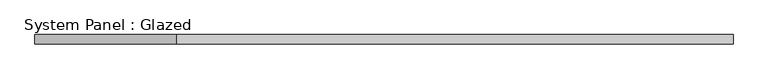
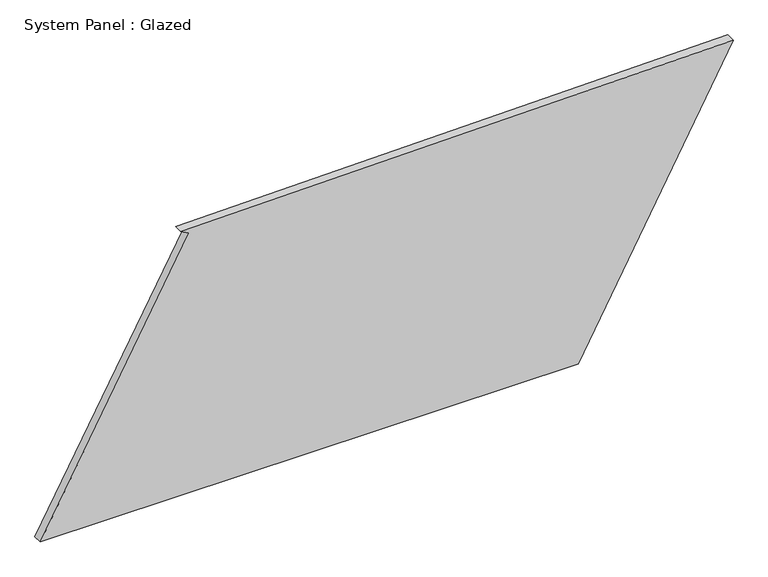
"""IFC4 building model written with IfcOpenShell, lengths in millimetres: plate geometry, System Panel : Glazed."""

from ifc_helpers import new_model, si_unit, frame, origin, place, context, project, spatial, polyline, outline, extrude, source, transform, mapped, element, save


def system_panel_glazed_a8e4a518(model_context):
    return source(origin(), model_context, "Body", "SweptSolid", [
        extrude(outline(polyline([(0.0, -941.3221323), (0.0, 520.7737402), (783.6804613, 941.3221323), (758.2541123, -559.1682426), (746.3501109, -537.1842769), (0.0, -941.3221323)])), frame((0.0, -49.5, 0.0), z_axis=(0.0, 1.0, 0.0), x_axis=(0.0, 0.0, 1.0)), (0.0, 0.0, 1.0), 25.0),
    ])


if __name__ == "__main__":
    model = new_model("IFC4")
    model_context = context("Model", 3, world=origin())
    ifc_project = project(units=[si_unit("LENGTHUNIT", "METRE", prefix="MILLI")], contexts=[model_context])
    site = spatial("IfcSite", under=ifc_project)
    building = spatial("IfcBuilding", under=site)
    placement = place(None, origin())
    system_panel_glazed_shape = system_panel_glazed_a8e4a518(model_context)
    element("IfcPlate", 1, ObjectType="System Panel : Glazed", at=placement, inside=building, context=model_context, shape_type="MappedRepresentation", body=[
        mapped(system_panel_glazed_shape, transform((0.0, 0.0, 0.0), x_axis=(1.0, 0.0, 0.0), y_axis=(0.0, 1.0, 0.0), z_axis=(0.0, 0.0, 1.0))),
    ])
    save(model, "model.ifc")
